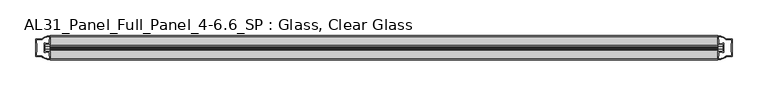
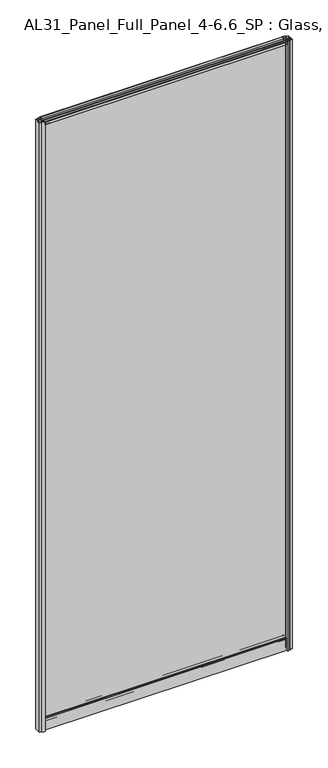
"""IFC4 building model written with IfcOpenShell, lengths in millimetres: plate geometry, AL31_Panel_Full_Panel_4-6.6_SP : Glass, Clear Glass."""

from ifc_helpers import new_model, si_unit, point, frame, frame_2d, origin, origin_with_axes, place, context, project, spatial, polyline, circle_curve, trimmed, segment, composite_curve, outline, extrude, source, transform, mapped, element, save


def al31_panel_full_panel_4_6_6_sp_glass_clear_glass_5b9fa0a7(model_context):
    return source(origin(), model_context, "Body", "SweptSolid", [
        extrude(outline(composite_curve([segment(polyline([(-1.4, 2468.8980762), (-0.85, 2467.9454483)]), True, "CONTINUOUS"), segment(trimmed(circle_curve(frame_2d((0.1, 2466.3)), 1.9), [point((-0.85, 2467.9454483))], [point((1.05, 2467.9454483))], True, "CARTESIAN"), True, "CONTINUOUS"), segment(polyline([(1.05, 2467.9454483), (1.6, 2468.8980762)]), True, "CONTINUOUS"), segment(trimmed(circle_curve(frame_2d((0.1, 2466.3)), 3.0), [point((1.6, 2468.8980762))], [point((2.5718414, 2464.6))], False, "CARTESIAN"), True, "CONTINUOUS"), segment(polyline([(2.5718414, 2464.6), (15.7, 2464.6), (15.7, 2474.0), (17.0, 2474.0), (17.0, 2463.5), (6.7024688, 2463.5), (6.7024688, 2462.7), (6.1968782, 2460.7785039), (6.1968782, 2456.1), (5.0, 2456.1), (5.0, 2461.4339746), (5.5, 2462.3), (5.5, 2463.5), (-5.5, 2463.5), (-5.5, 2462.3), (-5.0, 2461.4339746), (-5.0, 2456.1), (-6.1968782, 2456.1), (-6.1968782, 2460.7785039), (-6.7024688, 2462.7), (-6.7024688, 2463.5), (-17.0, 2463.5), (-17.0, 2474.0), (-15.7, 2474.0), (-15.7, 2464.6), (-2.3718414, 2464.6)]), True, "CONTINUOUS"), segment(trimmed(circle_curve(frame_2d((0.1, 2466.3)), 3.0), [point((-2.3718414, 2464.6))], [point((-1.4, 2468.8980762))], False, "CARTESIAN"), True, "CONTINUOUS")], self_intersect=False)), frame((-465.5404517, 0.0, 0.0), z_axis=(1.0, 0.0, 0.0), x_axis=(0.0, 1.0, 0.0)), (0.0, 0.0, 1.0), 931.0809034),
        extrude(outline(composite_curve([segment(polyline([(-473.3818731, -5.9), (-472.1818731, -5.9), (-472.1818731, -5.0), (-465.5404517, -5.0), (-465.5404517, -17.0001453)]), True, "CONTINUOUS"), segment(trimmed(circle_curve(frame_2d((-465.1758001, 2.9965302)), 20.0), [point((-465.5404517, -17.0001453))], [point((-476.8962869, -13.2093388))], False, "CARTESIAN"), True, "CONTINUOUS"), segment(polyline([(-476.8962869, -13.2093388), (-476.8962869, -12.3279343), (-485.5404517, -12.3279343), (-485.5404517, 12.3720657), (-476.8962869, 12.3720657), (-476.8962869, 13.2095249)]), True, "CONTINUOUS"), segment(trimmed(circle_curve(frame_2d((-465.1758001, -2.9963441)), 20.0), [point((-476.8962869, 13.2095249))], [point((-465.5404517, 17.0003314))], False, "CARTESIAN"), True, "CONTINUOUS"), segment(polyline([(-465.5404517, 17.0003314), (-465.5404517, 5.0), (-472.1818731, 5.0), (-472.1818731, 5.9), (-473.3818731, 5.9), (-473.3818731, -5.9)]), True, "CONTINUOUS")], self_intersect=False), holes=[composite_curve([segment(trimmed(circle_curve(frame_2d((-472.3818731, 5.7)), 1.5), [point((-472.3818731, 7.2))], [point((-471.0266188, 6.3428731))], False, "CARTESIAN"), True, "CONTINUOUS"), segment(polyline([(-471.0266188, 6.3428731), (-467.2818731, 6.3428731), (-467.2818731, 10.939223), (-466.8425332, 11.9998832), (-466.8425332, 15.6499817)]), True, "CONTINUOUS"), segment(trimmed(circle_curve(frame_2d((-465.1758001, -2.9755921)), 18.7), [point((-466.8425332, 15.6499817))], [point((-475.1825779, 12.8216987))], True, "CARTESIAN"), True, "CONTINUOUS"), segment(trimmed(circle_curve(frame_2d((-476.9818731, 12.8720657)), 1.8), [point((-475.1825779, 12.8216987))], [point((-476.9818731, 11.0720657))], False, "CARTESIAN"), True, "CONTINUOUS"), segment(polyline([(-476.9818731, 11.0720657), (-484.1232944, 11.0720657), (-484.1232944, 6.5019606), (-483.6818731, 5.439223), (-483.6818731, -5.3950916), (-484.1818731, -6.3879987), (-484.1818731, -11.0279343), (-476.9818731, -11.0279343)]), True, "CONTINUOUS"), segment(trimmed(circle_curve(frame_2d((-476.9818731, -12.8279343)), 1.8), [point((-476.9818731, -11.0279343))], [point((-475.1825779, -12.7775673))], False, "CARTESIAN"), True, "CONTINUOUS"), segment(trimmed(circle_curve(frame_2d((-465.1758001, 3.0197235)), 18.7), [point((-475.1825779, -12.7775673))], [point((-466.8425332, -15.6058503))], True, "CARTESIAN"), True, "CONTINUOUS"), segment(polyline([(-466.8425332, -15.6058503), (-466.8425332, -11.9557518), (-467.2818731, -10.8950916), (-467.2818731, -6.2991308), (-471.0067213, -6.2991308)]), True, "CONTINUOUS"), segment(trimmed(circle_curve(frame_2d((-472.3818731, -5.7)), 1.5), [point((-471.0067213, -6.2991308))], [point((-472.3818731, -7.2))], False, "CARTESIAN"), True, "CONTINUOUS"), segment(polyline([(-472.3818731, -7.2), (-474.6818731, -7.2), (-474.6818731, 7.2), (-472.3818731, 7.2)]), True, "CONTINUOUS")], self_intersect=False)]), origin_with_axes(), (0.0, 0.0, 1.0), 2474.0),
        extrude(outline(composite_curve([segment(polyline([(473.3818731, 5.9), (472.1818731, 5.9), (472.1818731, 5.0), (465.5404517, 5.0), (465.5404517, 17.0001453)]), True, "CONTINUOUS"), segment(trimmed(circle_curve(frame_2d((465.1758001, -2.9965302)), 20.0), [point((465.5404517, 17.0001453))], [point((476.8962869, 13.2093388))], False, "CARTESIAN"), True, "CONTINUOUS"), segment(polyline([(476.8962869, 13.2093388), (476.8962869, 12.3279343), (485.5404517, 12.3279343), (485.5404517, -12.3720657), (476.8962869, -12.3720657), (476.8962869, -13.2095249)]), True, "CONTINUOUS"), segment(trimmed(circle_curve(frame_2d((465.1758001, 2.9963441)), 20.0), [point((476.8962869, -13.2095249))], [point((465.5404517, -17.0003314))], False, "CARTESIAN"), True, "CONTINUOUS"), segment(polyline([(465.5404517, -17.0003314), (465.5404517, -5.0), (472.1818731, -5.0), (472.1818731, -5.9), (473.3818731, -5.9), (473.3818731, 5.9)]), True, "CONTINUOUS")], self_intersect=False), holes=[composite_curve([segment(trimmed(circle_curve(frame_2d((472.3818731, -5.7)), 1.5), [point((472.3818731, -7.2))], [point((471.0266188, -6.3428731))], False, "CARTESIAN"), True, "CONTINUOUS"), segment(polyline([(471.0266188, -6.3428731), (467.2818731, -6.3428731), (467.2818731, -10.939223), (466.8425332, -11.9998832), (466.8425332, -15.6499817)]), True, "CONTINUOUS"), segment(trimmed(circle_curve(frame_2d((465.1758001, 2.9755921)), 18.7), [point((466.8425332, -15.6499817))], [point((475.1825779, -12.8216987))], True, "CARTESIAN"), True, "CONTINUOUS"), segment(trimmed(circle_curve(frame_2d((476.9818731, -12.8720657)), 1.8), [point((475.1825779, -12.8216987))], [point((476.9818731, -11.0720657))], False, "CARTESIAN"), True, "CONTINUOUS"), segment(polyline([(476.9818731, -11.0720657), (484.1232944, -11.0720657), (484.1232944, -6.5019606), (483.6818731, -5.439223), (483.6818731, 5.3950916), (484.1818731, 6.3879987), (484.1818731, 11.0279343), (476.9818731, 11.0279343)]), True, "CONTINUOUS"), segment(trimmed(circle_curve(frame_2d((476.9818731, 12.8279343)), 1.8), [point((476.9818731, 11.0279343))], [point((475.1825779, 12.7775673))], False, "CARTESIAN"), True, "CONTINUOUS"), segment(trimmed(circle_curve(frame_2d((465.1758001, -3.0197235)), 18.7), [point((475.1825779, 12.7775673))], [point((466.8425332, 15.6058503))], True, "CARTESIAN"), True, "CONTINUOUS"), segment(polyline([(466.8425332, 15.6058503), (466.8425332, 11.9557518), (467.2818731, 10.8950916), (467.2818731, 6.2991308), (471.0067213, 6.2991308)]), True, "CONTINUOUS"), segment(trimmed(circle_curve(frame_2d((472.3818731, 5.7)), 1.5), [point((471.0067213, 6.2991308))], [point((472.3818731, 7.2))], False, "CARTESIAN"), True, "CONTINUOUS"), segment(polyline([(472.3818731, 7.2), (474.6818731, 7.2), (474.6818731, -7.2), (472.3818731, -7.2)]), True, "CONTINUOUS")], self_intersect=False)]), origin_with_axes(), (0.0, 0.0, 1.0), 2474.0),
        extrude(outline(composite_curve([segment(trimmed(circle_curve(frame_2d((-8.4, 34.8)), 1.0), [point((-8.4, 35.8))], [point((-9.4, 34.8))], True, "CARTESIAN"), True, "CONTINUOUS"), segment(polyline([(-9.4, 34.8), (-9.4, 33.5), (-5.0000303, 33.5), (-5.0000303, 32.3), (-9.4, 32.3), (-9.4, 0.0), (-10.6, 0.0), (-10.6, 47.3)]), True, "CONTINUOUS"), segment(trimmed(circle_curve(frame_2d((-8.6, 47.3)), 2.0), [point((-10.6, 47.3))], [point((-8.6, 49.3))], False, "CARTESIAN"), True, "CONTINUOUS"), segment(polyline([(-8.6, 49.3), (-5.0, 49.3), (-5.0, 41.9), (5.0, 41.9), (5.0, 49.3), (8.6, 49.3)]), True, "CONTINUOUS"), segment(trimmed(circle_curve(frame_2d((8.6, 47.3)), 2.0), [point((8.6, 49.3))], [point((10.6, 47.3))], False, "CARTESIAN"), True, "CONTINUOUS"), segment(polyline([(10.6, 47.3), (10.6, 0.0), (9.4, 0.0), (9.4, 32.3), (4.9999697, 32.3), (4.9999697, 33.5), (9.4, 33.5), (9.4, 34.8)]), True, "CONTINUOUS"), segment(trimmed(circle_curve(frame_2d((8.4, 34.8)), 1.0), [point((9.4, 34.8))], [point((8.4, 35.8))], True, "CARTESIAN"), True, "CONTINUOUS"), segment(polyline([(8.4, 35.8), (-8.4, 35.8)]), True, "CONTINUOUS")], self_intersect=False), holes=[composite_curve([segment(trimmed(circle_curve(frame_2d((5.5024688, 41.8)), 1.0), [point((6.5024688, 41.8))], [point((5.5024688, 40.8))], False, "CARTESIAN"), True, "CONTINUOUS"), segment(polyline([(5.5024688, 40.8), (2.8008965, 40.8), (2.8008965, 39.7274194), (1.8370508, 39.7274194)]), True, "CONTINUOUS"), segment(trimmed(circle_curve(frame_2d((0.0, 38.7)), 2.1048387), [point((1.8370508, 39.7274194))], [point((-1.8370508, 39.7274194))], True, "CARTESIAN"), True, "CONTINUOUS"), segment(polyline([(-1.8370508, 39.7274194), (-2.8008965, 39.7274194), (-2.8008965, 40.8), (-5.5024688, 40.8)]), True, "CONTINUOUS"), segment(trimmed(circle_curve(frame_2d((-5.5024688, 41.8)), 1.0), [point((-5.5024688, 40.8))], [point((-6.5024688, 41.8))], False, "CARTESIAN"), True, "CONTINUOUS"), segment(polyline([(-6.5024688, 41.8), (-6.5024688, 42.7)]), True, "CONTINUOUS"), segment(trimmed(circle_curve(frame_2d((-5.3024688, 42.7)), 1.2), [point((-6.5024688, 42.7))], [point((-6.1198184, 43.5786009))], False, "CARTESIAN"), True, "CONTINUOUS"), segment(polyline([(-6.1198184, 43.5786009), (-6.1198184, 48.2), (-8.4, 48.2)]), True, "CONTINUOUS"), segment(trimmed(circle_curve(frame_2d((-8.4, 47.2)), 1.0), [point((-8.4, 48.2))], [point((-9.4, 47.2))], True, "CARTESIAN"), True, "CONTINUOUS"), segment(polyline([(-9.4, 47.2), (-9.4, 37.04), (-2.8008965, 37.04), (-2.8008965, 38.0725806), (-1.8370508, 38.0725806)]), True, "CONTINUOUS"), segment(trimmed(circle_curve(frame_2d((0.0, 39.1)), 2.1048387), [point((-1.8370508, 38.0725806))], [point((1.8370508, 38.0725806))], True, "CARTESIAN"), True, "CONTINUOUS"), segment(polyline([(1.8370508, 38.0725806), (2.8008965, 38.0725806), (2.8008965, 37.04), (9.4, 37.04), (9.4, 47.2)]), True, "CONTINUOUS"), segment(trimmed(circle_curve(frame_2d((8.4, 47.2)), 1.0), [point((9.4, 47.2))], [point((8.4, 48.2))], True, "CARTESIAN"), True, "CONTINUOUS"), segment(polyline([(8.4, 48.2), (6.1198184, 48.2), (6.1198184, 43.7786009)]), True, "CONTINUOUS"), segment(trimmed(circle_curve(frame_2d((5.3024688, 42.9)), 1.2), [point((6.1198184, 43.7786009))], [point((6.5024688, 42.9))], False, "CARTESIAN"), True, "CONTINUOUS"), segment(polyline([(6.5024688, 42.9), (6.5024688, 41.8)]), True, "CONTINUOUS")], self_intersect=False)]), frame((-465.5404517, 0.0, 0.0), z_axis=(1.0, 0.0, 0.0), x_axis=(0.0, 1.0, 0.0)), (0.0, 0.0, 1.0), 931.0809034),
        extrude(outline(polyline([(473.3818731, 2.0), (473.3818731, -2.0), (-473.3818731, -2.0), (-473.3818731, 2.0), (473.3818731, 2.0)])), frame((0.0, 0.0, 41.9), z_axis=(0.0, 0.0, 1.0), x_axis=(1.0, 0.0, 0.0)), (0.0, 0.0, 1.0), 2421.6),
    ])


if __name__ == "__main__":
    model = new_model("IFC4")
    model_context = context("Model", 3, world=origin())
    ifc_project = project(units=[si_unit("LENGTHUNIT", "METRE", prefix="MILLI")], contexts=[model_context])
    site = spatial("IfcSite", under=ifc_project)
    building = spatial("IfcBuilding", under=site)
    placement = place(None, origin())
    al31_panel_full_panel_4_6_6_sp_glass_clear_glass_shape = al31_panel_full_panel_4_6_6_sp_glass_clear_glass_5b9fa0a7(model_context)
    element("IfcPlate", 1, ObjectType="AL31_Panel_Full_Panel_4-6.6_SP : Glass, Clear Glass", at=placement, inside=building, context=model_context, shape_type="MappedRepresentation", body=[
        mapped(al31_panel_full_panel_4_6_6_sp_glass_clear_glass_shape, transform((0.0, 0.0, 0.0), x_axis=(1.0, 0.0, 0.0), y_axis=(0.0, 1.0, 0.0), z_axis=(0.0, 0.0, 1.0))),
    ])
    save(model, "model.ifc")
